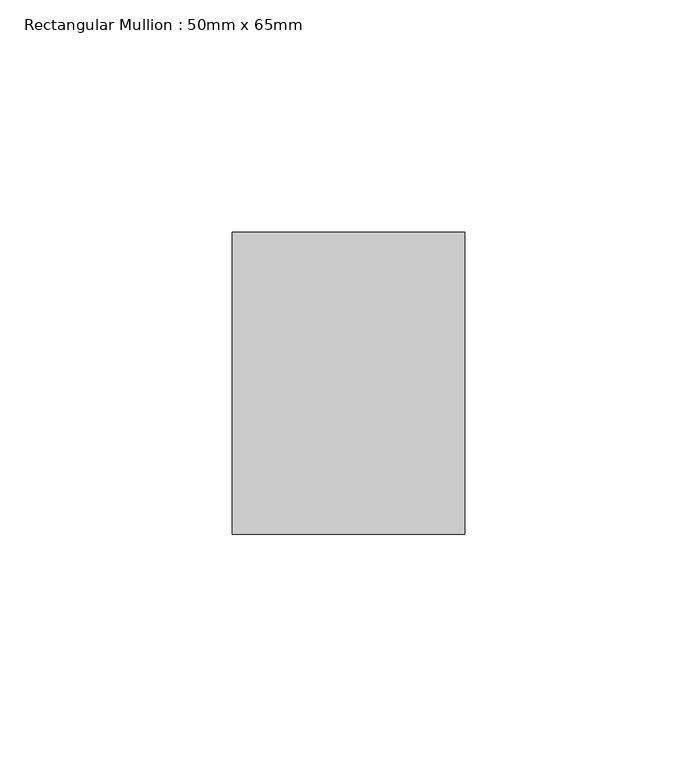
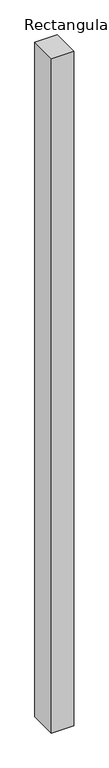
"""IFC4 building model written with IfcOpenShell, lengths in millimetres: member geometry, Rectangular Mullion : 50mm x 65mm."""

import ifcopenshell
import ifcopenshell.guid

model = None  # the IFC model being written
_history = None  # IfcOwnerHistory: only IFC2X3 demands one
_inside = {}  # id of a spatial element -> (the spatial element, [elements in it])
_under = {}  # id of a project, library or spatial element -> (it, [spatial elements below it])
_declared = {}  # id of a project -> (the project, [libraries it declares])
_typed = {}  # id of a type object -> (the type object, [elements of that type])
_made_of = {}  # id of a material, layer set ... -> (it, [elements and type objects made of it])


def new_model(schema):
    """Start an empty IFC model of exactly this schema.

    Asked for "IFC4X3", IfcOpenShell would pick the latest addendum, in which some entities
    have other attributes; the version numbers below select the first issue.
    IFC2X3 requires an IfcOwnerHistory on every rooted entity: one is made here for all.
    """
    global model, _history
    if schema == "IFC4X3":
        model = ifcopenshell.file(schema_version=(4, 3, 0, 0))
    else:
        model = ifcopenshell.file(schema=schema)
    _inside.clear()
    _under.clear()
    _declared.clear()
    _typed.clear()
    _made_of.clear()
    _history = None
    if model.schema == "IFC2X3":
        org = make("IfcOrganization", Name="unknown")
        user = make(
            "IfcPersonAndOrganization",
            ThePerson=make("IfcPerson", FamilyName="unknown"),
            TheOrganization=org,
        )
        app = make(
            "IfcApplication",
            ApplicationDeveloper=org,
            Version="unknown",
            ApplicationFullName="unknown",
            ApplicationIdentifier="unknown",
        )
        _history = make(
            "IfcOwnerHistory",
            OwningUser=user,
            OwningApplication=app,
            ChangeAction="ADDED",
            CreationDate=0,
        )
    return model


def make(cls, **values):
    """One entity of the class cls with the attributes given. An attribute that is None is left unset."""
    return model.create_entity(
        cls, **{name: value for name, value in values.items() if value is not None}
    )


def rooted(cls, **values):
    """An entity with a GlobalId (a new one), such as an element, a storey or a relation."""
    return make(cls, GlobalId=ifcopenshell.guid.new(), OwnerHistory=_history, **values)


def si_unit(unit_type, name, prefix=None):
    """IfcSIUnit, for example si_unit("LENGTHUNIT", "METRE", prefix="MILLI")."""
    return make("IfcSIUnit", UnitType=unit_type, Prefix=prefix, Name=name)


def assignment(units):
    """IfcUnitAssignment: the units of a project."""
    return None if units is None else make("IfcUnitAssignment", Units=units)


def point(xyz):
    """IfcCartesianPoint."""
    return None if xyz is None else make("IfcCartesianPoint", Coordinates=xyz)


def direction(xyz):
    """IfcDirection."""
    return None if xyz is None else make("IfcDirection", DirectionRatios=xyz)


def frame(location, z_axis=None, x_axis=None):
    """IfcAxis2Placement3D, a coordinate frame: its origin and axes. An axis left out is left unset."""
    return make(
        "IfcAxis2Placement3D",
        Location=point(location),
        Axis=direction(z_axis),
        RefDirection=direction(x_axis),
    )


def origin():
    """The frame at (0, 0, 0) with its axes left unset."""
    return frame((0.0, 0.0, 0.0))


def place(relative_to, where):
    """IfcLocalPlacement: puts the frame where relative to a parent placement (None: the world)."""
    return make(
        "IfcLocalPlacement", PlacementRelTo=relative_to, RelativePlacement=where
    )


def context(
    kind, dimensions, precision=None, world=None, true_north=None, identifier=None
):
    """IfcGeometricRepresentationContext, for example the 3D "Model" context."""
    return make(
        "IfcGeometricRepresentationContext",
        ContextIdentifier=identifier,
        ContextType=kind,
        CoordinateSpaceDimension=dimensions,
        Precision=precision,
        WorldCoordinateSystem=world,
        TrueNorth=true_north,
    )


def project(units=None, contexts=None):
    """IfcProject with its units and contexts."""
    return rooted(
        "IfcProject",
        Name="project",
        RepresentationContexts=contexts,
        UnitsInContext=assignment(units),
    )


def spatial(cls, under=None, at=None, **own):
    """A site, building, storey or space (cls), placed at a placement, below another one or the project."""
    s = rooted(cls, ObjectPlacement=at, **own)
    if under is not None:
        _under.setdefault(under.id(), (under, []))[1].append(s)
    return s


def polyline(points):
    """IfcPolyline through the points."""
    return make("IfcPolyline", Points=[point(p) for p in points])


def outline(outer, holes=None, kind="AREA"):
    """IfcArbitraryClosedProfileDef: a profile drawn as a closed curve; with holes, ...WithVoids."""
    if holes is None:
        return make("IfcArbitraryClosedProfileDef", ProfileType=kind, OuterCurve=outer)
    return make(
        "IfcArbitraryProfileDefWithVoids",
        ProfileType=kind,
        OuterCurve=outer,
        InnerCurves=holes,
    )


def extrude(swept, where, along, depth):
    """IfcExtrudedAreaSolid: the profile swept, set in the frame where, extruded along a direction by depth."""
    return make(
        "IfcExtrudedAreaSolid",
        SweptArea=swept,
        Position=where,
        ExtrudedDirection=direction(along),
        Depth=depth,
    )


def shape(context_of_items, identifier, shape_type, items):
    """IfcShapeRepresentation: the items that make up one representation, for example the "Body"."""
    return make(
        "IfcShapeRepresentation",
        ContextOfItems=context_of_items,
        RepresentationIdentifier=identifier,
        RepresentationType=shape_type,
        Items=items,
    )


def source(mapping_origin, context_of_items, identifier, shape_type, items):
    """IfcRepresentationMap: a shape defined once, which mapped items show again and again."""
    return make(
        "IfcRepresentationMap",
        MappingOrigin=mapping_origin,
        MappedRepresentation=shape(context_of_items, identifier, shape_type, items),
    )


def transform(
    local_origin,
    x_axis=None,
    y_axis=None,
    z_axis=None,
    scale=None,
    scale2=None,
    scale3=None,
    uniform=True,
):
    """IfcCartesianTransformationOperator3D, or its non-uniform kind. x_axis, y_axis, z_axis: its Axis1, 2, 3."""
    if uniform:
        return make(
            "IfcCartesianTransformationOperator3D",
            Axis1=direction(x_axis),
            Axis2=direction(y_axis),
            LocalOrigin=point(local_origin),
            Scale=scale,
            Axis3=direction(z_axis),
        )
    return make(
        "IfcCartesianTransformationOperator3DnonUniform",
        Axis1=direction(x_axis),
        Axis2=direction(y_axis),
        LocalOrigin=point(local_origin),
        Scale=scale,
        Axis3=direction(z_axis),
        Scale2=scale2,
        Scale3=scale3,
    )


def mapped(mapping_source, mapping_target):
    """IfcMappedItem: shows the shape of a source again, moved by a transform."""
    return make(
        "IfcMappedItem", MappingSource=mapping_source, MappingTarget=mapping_target
    )


def made_of(thing, what):
    """Note that an element or type object is made of a material, layer set ...; save() writes the relation."""
    if what is not None:
        _made_of.setdefault(what.id(), (what, []))[1].append(thing)
    return thing


def element(
    cls,
    number,
    at=None,
    inside=None,
    cuts=None,
    type_object=None,
    material=None,
    context=None,
    identifier="Body",
    shape_type=None,
    held_by="IfcProductDefinitionShape",
    body=None,
    shapes=None,
    **own,
):
    """One element of the class cls, such as IfcWall. Its Tag is "e" and its number.

    at: its placement. inside: the storey or other place that contains it. cuts: it is an
    opening in that element (IfcRelVoidsElement). A single representation is given by context,
    identifier, shape_type and body (its items); several are given by shapes. held_by: the class
    of the entity that holds the representations. save() writes the other relations.
    """
    e = rooted(cls, Tag="e%d" % number, ObjectPlacement=at, **own)
    if body is not None:
        shapes = [shape(context, identifier, shape_type, body)]
    if shapes is not None:
        e.Representation = make(held_by, Representations=shapes)
    if inside is not None:
        _inside.setdefault(inside.id(), (inside, []))[1].append(e)
    if cuts is not None:
        rooted(
            "IfcRelVoidsElement", RelatingBuildingElement=cuts, RelatedOpeningElement=e
        )
    if type_object is not None:
        _typed.setdefault(type_object.id(), (type_object, []))[1].append(e)
    return made_of(e, material)


def aggregate(whole, parts):
    """IfcRelAggregates: a whole, such as a stair, and the parts it consists of."""
    return rooted("IfcRelAggregates", RelatingObject=whole, RelatedObjects=parts)


def save(model, path):
    """Write the relations noted so far, then the file.

    IfcRelAggregates (storeys below a building ...), IfcRelContainedInSpatialStructure (elements
    in a storey), IfcRelDefinesByType, IfcRelAssociatesMaterial and IfcRelDeclares: one each for
    every whole, place, type object, material and project.
    """
    for whole, parts in _under.values():
        aggregate(whole, parts)
    for where, things in _inside.values():
        rooted(
            "IfcRelContainedInSpatialStructure",
            RelatedElements=things,
            RelatingStructure=where,
        )
    for kind, things in _typed.values():
        rooted("IfcRelDefinesByType", RelatedObjects=things, RelatingType=kind)
    for what, things in _made_of.values():
        rooted("IfcRelAssociatesMaterial", RelatedObjects=things, RelatingMaterial=what)
    for by, libraries in _declared.values():
        rooted("IfcRelDeclares", RelatingContext=by, RelatedDefinitions=libraries)
    model.write(path)


def rectangular_mullion_50mm_x_65mm_70b3c201(model_context):
    return source(origin(), model_context, "Body", "SweptSolid", [
        extrude(outline(polyline([(25.0, 32.5), (25.0, -32.5), (-25.0, -32.5), (-25.0, 32.5), (25.0, 32.5)])), frame((0.0, 0.0, -1612.9643621), z_axis=(0.0, 0.0, 1.0), x_axis=(1.0, 0.0, 0.0)), (0.0, 0.0, 1.0), 1612.9643621),
    ])


if __name__ == "__main__":
    model = new_model("IFC4")
    model_context = context("Model", 3, world=origin())
    ifc_project = project(units=[si_unit("LENGTHUNIT", "METRE", prefix="MILLI")], contexts=[model_context])
    site = spatial("IfcSite", under=ifc_project)
    building = spatial("IfcBuilding", under=site)
    placement = place(None, origin())
    rectangular_mullion_50mm_x_65mm_shape = rectangular_mullion_50mm_x_65mm_70b3c201(model_context)
    element("IfcMember", 1, ObjectType="Rectangular Mullion : 50mm x 65mm", at=placement, inside=building, context=model_context, shape_type="MappedRepresentation", body=[
        mapped(rectangular_mullion_50mm_x_65mm_shape, transform((0.0, 0.0, 0.0), x_axis=(1.0, 0.0, 0.0), y_axis=(0.0, 1.0, 0.0), z_axis=(0.0, 0.0, 1.0))),
    ])
    save(model, "model.ifc")
